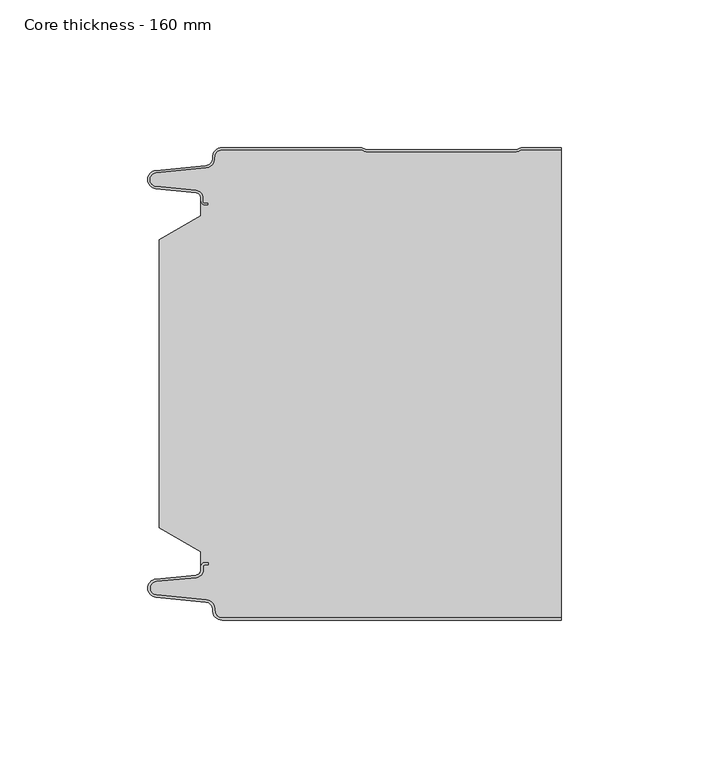
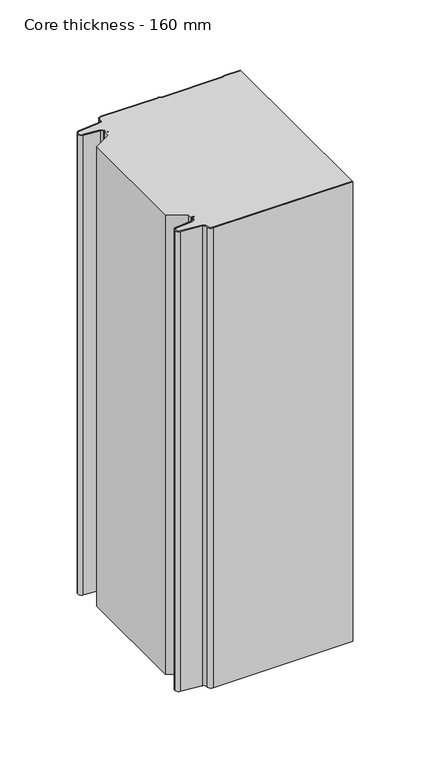
"""IFC4 building model written with IfcOpenShell, lengths in millimetres: plate geometry, Core thickness - 160 mm."""

from ifc_helpers import new_model, si_unit, frame, origin, place, context, project, spatial, polyline, circle_curve, source, transform, mapped, element, save
from ifc_brep_helpers import plane_surface, cylinder_surface, revolved_surface, advanced_brep


def core_thickness_160_mm_bdfdefb4(model_context):
    return source(origin(), model_context, "Body", "AdvancedBrep", [
        advanced_brep(
        [(-44.8000003, -159.9996949, 0.0), (-47.9923632, -156.5787437, 0.0), (-50.2560431, -153.9171154, 0.0), (-67.2115315, -152.2546153, 0.0), (-69.9999998, -149.1776715, 0.0), (-67.2115315, -146.1007278, 0.0), (-53.6195785, -144.7680252, 0.0), (-51.9952277, -142.9766159, 0.0), (-51.9952277, -141.8996949, 0.0), (-50.5952277, -140.4996949, 0.0), (-49.4952277, -140.4996949, 0.0), (-49.4952277, -141.2996949, 0.0), (-50.5952277, -141.2996949, 0.0), (-51.1952277, -141.8996949, 0.0), (-51.1952277, -142.9766159, 0.0), (-53.5415122, -145.5642071, 0.0), (-67.1334652, -146.8969097, 0.0), (-69.1999997, -149.1776715, 0.0), (-67.1334652, -151.4584333, 0.0), (-50.1779767, -153.1209335, 0.0), (-47.2078761, -156.6330399, 0.0), (-44.8000003, -159.1996949, 0.0), (69.9999998, -159.2, 0.0), (69.9999998, -159.9996949, 0.0), (-44.8000003, -159.1996949, 400.0), (-47.1942724, -156.6339815, 400.0), (-50.1779767, -153.1209335, 400.0), (-67.1334652, -151.4584333, 400.0), (-69.1999997, -149.1776715, 400.0), (-67.1334652, -146.8969097, 400.0), (-53.5415122, -145.5642071, 400.0), (-51.1952277, -142.9766159, 400.0), (-51.1952277, -141.8996949, 400.0), (-50.5952277, -141.2996949, 400.0), (-49.4952277, -141.2996949, 400.0), (-49.4952277, -140.4996949, 400.0), (-50.5952277, -140.4996949, 400.0), (-51.9952277, -141.8996949, 400.0), (-51.9952277, -142.9766159, 400.0), (-53.6195785, -144.7680252, 400.0), (-67.2115315, -146.1007278, 400.0), (-69.9999998, -149.1776715, 400.0), (-67.2115315, -152.2546153, 400.0), (-50.2560431, -153.9171154, 400.0), (-48.0059668, -156.5778021, 400.0), (-44.8000003, -159.9996949, 400.0), (69.9999998, -159.9996949, 400.0), (69.9999998, -159.2, 400.0)],
        [
            (0, 1, circle_curve(frame((-44.8000003, -156.7996949, 0.0), z_axis=(0.0, 0.0, -1.0), x_axis=(1.0, 0.0, 0.0)), 3.2)),
            (1, 2, circle_curve(frame((-50.5000003, -156.4051839, 0.0), z_axis=(0.0, 0.0, 1.0), x_axis=(1.0, 0.0, 0.0)), 2.5)),
            (2, 3),
            (3, 4, circle_curve(frame((-66.9100003, -149.1793626, 0.0), z_axis=(0.0, 0.0, -1.0), x_axis=(1.0, 0.0, 0.0)), 3.09)),
            (4, 5, circle_curve(frame((-66.9100003, -149.1759805, 0.0), z_axis=(0.0, 0.0, -1.0), x_axis=(1.0, 0.0, 0.0)), 3.09)),
            (5, 6),
            (6, 7, circle_curve(frame((-53.7952277, -142.9766159, 0.0), z_axis=(0.0, 0.0, 1.0), x_axis=(1.0, 0.0, 0.0)), 1.8)),
            (7, 8),
            (8, 9, circle_curve(frame((-50.5952277, -141.8996949, 0.0), z_axis=(0.0, 0.0, -1.0), x_axis=(1.0, 0.0, 0.0)), 1.4)),
            (9, 10),
            (10, 11),
            (11, 12),
            (12, 13, circle_curve(frame((-50.5952277, -141.8996949, 0.0), z_axis=(0.0, 0.0, 1.0), x_axis=(1.0, 0.0, 0.0)), 0.6)),
            (13, 14),
            (14, 15, circle_curve(frame((-53.7952277, -142.9766159, 0.0), z_axis=(0.0, 0.0, -1.0), x_axis=(1.0, 0.0, 0.0)), 2.6)),
            (15, 16),
            (16, 17, circle_curve(frame((-66.9100003, -149.1759805, 0.0), z_axis=(0.0, 0.0, 1.0), x_axis=(1.0, 0.0, 0.0)), 2.29)),
            (17, 18, circle_curve(frame((-66.9100003, -149.1793626, 0.0), z_axis=(0.0, 0.0, 1.0), x_axis=(1.0, 0.0, 0.0)), 2.29)),
            (18, 19),
            (19, 20, circle_curve(frame((-50.5000003, -156.4051839, 0.0), z_axis=(0.0, 0.0, -1.0), x_axis=(1.0, 0.0, 0.0)), 3.3)),
            (20, 21, circle_curve(frame((-44.8000003, -156.7996949, 0.0), z_axis=(0.0, 0.0, 1.0), x_axis=(1.0, 0.0, 0.0)), 2.4)),
            (21, 22),
            (22, 23),
            (23, 0),
            (24, 25, circle_curve(frame((-44.8000003, -156.7996949, 400.0), z_axis=(0.0, 0.0, -1.0), x_axis=(1.0, 0.0, 0.0)), 2.4)),
            (25, 26, circle_curve(frame((-50.5000003, -156.4051839, 400.0), z_axis=(0.0, 0.0, 1.0), x_axis=(1.0, 0.0, 0.0)), 3.3)),
            (26, 27),
            (27, 28, circle_curve(frame((-66.9100003, -149.1793626, 400.0), z_axis=(0.0, 0.0, -1.0), x_axis=(1.0, 0.0, 0.0)), 2.29)),
            (28, 29, circle_curve(frame((-66.9100003, -149.1759805, 400.0), z_axis=(0.0, 0.0, -1.0), x_axis=(1.0, 0.0, 0.0)), 2.29)),
            (29, 30),
            (30, 31, circle_curve(frame((-53.7952277, -142.9766159, 400.0), z_axis=(0.0, 0.0, 1.0), x_axis=(1.0, 0.0, 0.0)), 2.6)),
            (31, 32),
            (32, 33, circle_curve(frame((-50.5952277, -141.8996949, 400.0), z_axis=(0.0, 0.0, -1.0), x_axis=(1.0, 0.0, 0.0)), 0.6)),
            (33, 34),
            (34, 35),
            (35, 36),
            (36, 37, circle_curve(frame((-50.5952277, -141.8996949, 400.0), z_axis=(0.0, 0.0, 1.0), x_axis=(1.0, 0.0, 0.0)), 1.4)),
            (37, 38),
            (38, 39, circle_curve(frame((-53.7952277, -142.9766159, 400.0), z_axis=(0.0, 0.0, -1.0), x_axis=(1.0, 0.0, 0.0)), 1.8)),
            (39, 40),
            (40, 41, circle_curve(frame((-66.9100003, -149.1759805, 400.0), z_axis=(0.0, 0.0, 1.0), x_axis=(1.0, 0.0, 0.0)), 3.09)),
            (41, 42, circle_curve(frame((-66.9100003, -149.1793626, 400.0), z_axis=(0.0, 0.0, 1.0), x_axis=(1.0, 0.0, 0.0)), 3.09)),
            (42, 43),
            (43, 44, circle_curve(frame((-50.5000003, -156.4051839, 400.0), z_axis=(0.0, 0.0, -1.0), x_axis=(1.0, 0.0, 0.0)), 2.5)),
            (44, 45, circle_curve(frame((-44.8000003, -156.7996949, 400.0), z_axis=(0.0, 0.0, 1.0), x_axis=(1.0, 0.0, 0.0)), 3.2)),
            (45, 46),
            (46, 47),
            (47, 24),
            (21, 24),
            (47, 22),
            (20, 25),
            (19, 26),
            (18, 27),
            (17, 28),
            (16, 29),
            (15, 30),
            (14, 31),
            (13, 32),
            (12, 33),
            (11, 34),
            (10, 35),
            (9, 36),
            (8, 37),
            (7, 38),
            (6, 39),
            (5, 40),
            (4, 41),
            (3, 42),
            (2, 43),
            (1, 44),
            (0, 45),
            (23, 46),
        ],
        [
            plane_surface(frame((-69.9999998, -160.0, 0.0), z_axis=(0.0, 0.0, -1.0), x_axis=(0.0, 1.0, 0.0))),
            plane_surface(frame((-69.9999998, -160.0, 400.0), z_axis=(0.0, 0.0, 1.0), x_axis=(0.0, 1.0, 0.0))),
            plane_surface(frame((-44.8000003, -159.2, 0.0), z_axis=(0.0, 1.0, 0.0), x_axis=(0.0, 0.0, 1.0))),
            revolved_surface(polyline([(-42.4000003, -156.7996949, 400.0), (-42.4000003, -156.7996949, 0.0)]), (-44.8000003, -156.7996949, 0.0), (0.0, 0.0, 1.0)),
            cylinder_surface(frame((-50.5000003, -156.4051839, 0.0), z_axis=(0.0, 0.0, -1.0), x_axis=(1.0, 0.0, 0.0)), 3.3),
            plane_surface(frame((-67.1334652, -151.4584333, 0.0), z_axis=(0.09758289975914758, 0.9952273999818314, 0.0), x_axis=(0.0, 0.0, 1.0))),
            revolved_surface(polyline([(-64.62000029999999, -149.1793626, 400.0), (-64.62000029999999, -149.1793626, 0.0)]), (-66.9100003, -149.1793626, 0.0), (0.0, 0.0, 1.0)),
            revolved_surface(polyline([(-64.62000029999999, -149.1759805, 400.0), (-64.62000029999999, -149.1759805, 0.0)]), (-66.9100003, -149.1759805, 0.0), (0.0, 0.0, 1.0)),
            plane_surface(frame((-53.5415122, -145.5642071, 0.0), z_axis=(0.09758289975914383, -0.9952273999818317, 0.0), x_axis=(0.0, 0.0, 1.0))),
            cylinder_surface(frame((-53.7952277, -142.9766159, 0.0), z_axis=(0.0, 0.0, -1.0), x_axis=(1.0, 0.0, 0.0)), 2.6),
            plane_surface(frame((-51.1952277, -141.8996949, 0.0), z_axis=(1.0, 0.0, 0.0), x_axis=(0.0, 0.0, 1.0))),
            revolved_surface(polyline([(-49.9952277, -141.8996949, 400.0), (-49.9952277, -141.8996949, 0.0)]), (-50.5952277, -141.8996949, 0.0), (0.0, 0.0, 1.0)),
            plane_surface(frame((-49.4952277, -141.2996949, 0.0), z_axis=(0.0, -1.0, 0.0), x_axis=(0.0, 0.0, 1.0))),
            plane_surface(frame((-49.4952277, -140.4996949, 0.0), z_axis=(1.0, 0.0, 0.0), x_axis=(0.0, 0.0, 1.0))),
            plane_surface(frame((-50.5952277, -140.4996949, 0.0), z_axis=(0.0, 1.0, 0.0), x_axis=(0.0, 0.0, 1.0))),
            cylinder_surface(frame((-50.5952277, -141.8996949, 0.0), z_axis=(0.0, 0.0, -1.0), x_axis=(1.0, 0.0, 0.0)), 1.4),
            plane_surface(frame((-51.9952277, -142.9766159, 0.0), z_axis=(-1.0, 0.0, 0.0), x_axis=(0.0, 0.0, 1.0))),
            revolved_surface(polyline([(-51.9952277, -142.9766159, 400.0), (-51.9952277, -142.9766159, 0.0)]), (-53.7952277, -142.9766159, 0.0), (0.0, 0.0, 1.0)),
            plane_surface(frame((-67.2115315, -146.1007278, 0.0), z_axis=(-0.09758289975914387, 0.9952273999818317, 0.0), x_axis=(0.0, 0.0, 1.0))),
            cylinder_surface(frame((-66.9100003, -149.1759805, 0.0), z_axis=(0.0, 0.0, -1.0), x_axis=(1.0, 0.0, 0.0)), 3.09),
            cylinder_surface(frame((-66.9100003, -149.1793626, 0.0), z_axis=(0.0, 0.0, -1.0), x_axis=(1.0, 0.0, 0.0)), 3.09),
            plane_surface(frame((-50.2560431, -153.9171154, 0.0), z_axis=(-0.09758289975914762, -0.9952273999818314, 0.0), x_axis=(0.0, 0.0, 1.0))),
            revolved_surface(polyline([(-48.0000003, -156.4051839, 400.0), (-48.0000003, -156.4051839, 0.0)]), (-50.5000003, -156.4051839, 0.0), (0.0, 0.0, 1.0)),
            cylinder_surface(frame((-44.8000003, -156.7996949, 0.0), z_axis=(0.0, 0.0, -1.0), x_axis=(1.0, 0.0, 0.0)), 3.2),
            plane_surface(frame((1046.009932, -159.9996949, 0.0), z_axis=(0.0, -1.0, 0.0), x_axis=(0.0, 0.0, 1.0))),
            plane_surface(frame((69.9999998, 180.0, 400.0), z_axis=(1.0, 0.0, 0.0), x_axis=(0.0, 0.0, -1.0))),
        ],
        [
            (0, [[1, 2, 3, 4, 5, 6, 7, 8, 9, 10, 11, 12, 13, 14, 15, 16, 17, 18, 19, 20, 21, 22, 23, 24]]),
            (1, [[25, 26, 27, 28, 29, 30, 31, 32, 33, 34, 35, 36, 37, 38, 39, 40, 41, 42, 43, 44, 45, 46, 47, 48]]),
            (2, [[49, -48, 50, -22]]),
            (3, [[-21, 51, -25, -49]]),
            (4, [[-20, 52, -26, -51]]),
            (5, [[-19, 53, -27, -52]]),
            (6, [[-18, 54, -28, -53]]),
            (7, [[-17, 55, -29, -54]]),
            (8, [[-16, 56, -30, -55]]),
            (9, [[-15, 57, -31, -56]]),
            (10, [[-14, 58, -32, -57]]),
            (11, [[-13, 59, -33, -58]]),
            (12, [[-12, 60, -34, -59]]),
            (13, [[-11, 61, -35, -60]]),
            (14, [[-10, 62, -36, -61]]),
            (15, [[-9, 63, -37, -62]]),
            (16, [[-8, 64, -38, -63]]),
            (17, [[-7, 65, -39, -64]]),
            (18, [[-6, 66, -40, -65]]),
            (19, [[-5, 67, -41, -66]]),
            (20, [[-4, 68, -42, -67]]),
            (21, [[-3, 69, -43, -68]]),
            (22, [[-2, 70, -44, -69]]),
            (23, [[-1, 71, -45, -70]]),
            (24, [[-71, -24, 72, -46]]),
            (25, [[-23, -50, -47, -72]]),
        ],
    ),
        advanced_brep(
        [(-51.9952277, -23.1062917, 400.0), (-66.0446509, -31.1628062, 400.0), (-66.0446509, -128.7531937, 400.0), (-51.9952277, -136.8937083, 400.0), (-51.9952277, -140.4996949, 400.0), (-51.9952277, -141.8996949, 400.0), (-50.5952277, -140.4996949, 400.0), (-49.4952277, -140.4996949, 400.0), (-49.4952277, -141.2996949, 400.0), (-50.5952277, -141.2996949, 400.0), (-51.1952277, -141.8996949, 400.0), (-51.1952277, -142.9766159, 400.0), (-53.5415122, -145.5642071, 400.0), (-67.1334652, -146.8969097, 400.0), (-69.1999997, -149.1776715, 400.0), (-67.1334652, -151.4584333, 400.0), (-50.1779767, -153.1209335, 400.0), (-47.2078761, -156.6330399, 400.0), (-44.8000003, -159.1996949, 400.0), (69.9999998, -159.2, 400.0), (69.9999998, -0.8, 400.0), (57.0487965, -0.8, 400.0), (55.9973806, -1.0986697, 400.0), (54.5769997, -1.5003051, 400.0), (4.4172165, -1.5003051, 400.0), (2.9978051, -1.0971009, 400.0), (1.9454197, -0.8, 400.0), (-44.8000003, -0.8, 400.0), (-47.1942724, -3.3660185, 400.0), (-50.1779767, -6.8790665, 400.0), (-67.1334652, -8.5415667, 400.0), (-69.1999997, -10.8223285, 400.0), (-67.1334652, -13.1030903, 400.0), (-53.5415122, -14.4357929, 400.0), (-51.1952277, -17.0233841, 400.0), (-51.1952277, -18.1003051, 400.0), (-50.5952277, -18.7003051, 400.0), (-49.4952277, -18.7003051, 400.0), (-49.4952277, -19.5003051, 400.0), (-50.5952277, -19.5003051, 400.0), (-51.9952277, -18.1003051, 400.0), (-51.9952277, -19.5003051, 400.0), (-51.9952277, -136.8937083, 0.0), (-66.0446509, -128.7531937, 0.0), (-66.0446509, -31.1628062, 0.0), (-51.9952277, -23.1062917, 0.0), (-51.9952277, -19.5003051, 0.0), (-51.9952277, -18.1003051, 0.0), (-50.5952277, -19.5003051, 0.0), (-49.4952277, -19.5003051, 0.0), (-49.4952277, -18.7003051, 0.0), (-50.5952277, -18.7003051, 0.0), (-51.1952277, -18.1003051, 0.0), (-51.1952277, -17.0233841, 0.0), (-53.5415122, -14.4357929, 0.0), (-67.1334652, -13.1030903, 0.0), (-69.1999997, -10.8223285, 0.0), (-67.1334652, -8.5415667, 0.0), (-50.1779767, -6.8790665, 0.0), (-47.2078761, -3.3669601, 0.0), (-44.8000003, -0.8003051, 0.0), (1.9454197, -0.8, 0.0), (2.9968355, -1.0986697, 0.0), (4.4172165, -1.5003051, 0.0), (54.5769997, -1.5003051, 0.0), (55.9964111, -1.0971009, 0.0), (57.0487965, -0.8, 0.0), (69.9999998, -0.8, 0.0), (69.9999998, -159.2, 0.0), (-44.8000003, -159.2, 0.0), (-47.1942724, -156.6339815, 0.0), (-50.1779767, -153.1209335, 0.0), (-67.1334652, -151.4584333, 0.0), (-69.1999997, -149.1776715, 0.0), (-67.1334652, -146.8969097, 0.0), (-53.5415122, -145.5642071, 0.0), (-51.1952277, -142.9766159, 0.0), (-51.1952277, -141.8996949, 0.0), (-50.5952277, -141.2996949, 0.0), (-49.4952277, -141.2996949, 0.0), (-49.4952277, -140.4996949, 0.0), (-50.5952277, -140.4996949, 0.0), (-51.9952277, -141.8996949, 0.0), (-51.9952277, -140.4996949, 0.0)],
        [
            (0, 1),
            (1, 2),
            (2, 3),
            (3, 4),
            (4, 5),
            (5, 6, circle_curve(frame((-50.5952277, -141.8996949, 400.0), z_axis=(0.0, 0.0, -1.0), x_axis=(1.0, 0.0, 0.0)), 1.4)),
            (6, 7),
            (7, 8),
            (8, 9),
            (9, 10, circle_curve(frame((-50.5952277, -141.8996949, 400.0), z_axis=(0.0, 0.0, 1.0), x_axis=(1.0, 0.0, 0.0)), 0.6)),
            (10, 11),
            (11, 12, circle_curve(frame((-53.7952277, -142.9766159, 400.0), z_axis=(0.0, 0.0, -1.0), x_axis=(1.0, 0.0, 0.0)), 2.6)),
            (12, 13),
            (13, 14, circle_curve(frame((-66.9100003, -149.1759805, 400.0), z_axis=(0.0, 0.0, 1.0), x_axis=(1.0, 0.0, 0.0)), 2.29)),
            (14, 15, circle_curve(frame((-66.9100003, -149.1793626, 400.0), z_axis=(0.0, 0.0, 1.0), x_axis=(1.0, 0.0, 0.0)), 2.29)),
            (15, 16),
            (16, 17, circle_curve(frame((-50.5000003, -156.4051839, 400.0), z_axis=(0.0, 0.0, -1.0), x_axis=(1.0, 0.0, 0.0)), 3.3)),
            (17, 18, circle_curve(frame((-44.8000003, -156.7996949, 400.0), z_axis=(0.0, 0.0, 1.0), x_axis=(1.0, 0.0, 0.0)), 2.4)),
            (18, 19),
            (19, 20),
            (20, 21),
            (21, 22, circle_curve(frame((57.0487965, -2.8, 400.0), z_axis=(0.0, 0.0, 1.0), x_axis=(1.0, 0.0, 0.0)), 2.0)),
            (22, 23, circle_curve(frame((54.5769997, 1.1996949, 400.0), z_axis=(0.0, 0.0, -1.0), x_axis=(1.0, 0.0, 0.0)), 2.7)),
            (23, 24),
            (24, 25, circle_curve(frame((4.4172165, 1.1996949, 400.0), z_axis=(0.0, 0.0, -1.0), x_axis=(1.0, 0.0, 0.0)), 2.7)),
            (25, 26, circle_curve(frame((1.9454197, -2.8, 400.0), z_axis=(0.0, 0.0, 1.0), x_axis=(1.0, 0.0, 0.0)), 2.0)),
            (26, 27),
            (27, 28, circle_curve(frame((-44.8000003, -3.2003051, 400.0), z_axis=(0.0, 0.0, 1.0), x_axis=(1.0, 0.0, 0.0)), 2.4)),
            (28, 29, circle_curve(frame((-50.5000003, -3.5948161, 400.0), z_axis=(0.0, 0.0, -1.0), x_axis=(1.0, 0.0, 0.0)), 3.3)),
            (29, 30),
            (30, 31, circle_curve(frame((-66.9100003, -10.8206374, 400.0), z_axis=(0.0, 0.0, 1.0), x_axis=(1.0, 0.0, 0.0)), 2.29)),
            (31, 32, circle_curve(frame((-66.9100003, -10.8240195, 400.0), z_axis=(0.0, 0.0, 1.0), x_axis=(1.0, 0.0, 0.0)), 2.29)),
            (32, 33),
            (33, 34, circle_curve(frame((-53.7952277, -17.0233841, 400.0), z_axis=(0.0, 0.0, -1.0), x_axis=(1.0, 0.0, 0.0)), 2.6)),
            (34, 35),
            (35, 36, circle_curve(frame((-50.5952277, -18.1003051, 400.0), z_axis=(0.0, 0.0, 1.0), x_axis=(1.0, 0.0, 0.0)), 0.6)),
            (36, 37),
            (37, 38),
            (38, 39),
            (39, 40, circle_curve(frame((-50.5952277, -18.1003051, 400.0), z_axis=(0.0, 0.0, -1.0), x_axis=(1.0, 0.0, 0.0)), 1.4)),
            (40, 41),
            (41, 0),
            (42, 43),
            (43, 44),
            (44, 45),
            (45, 46),
            (46, 47),
            (47, 48, circle_curve(frame((-50.5952277, -18.1003051, 0.0), z_axis=(0.0, 0.0, 1.0), x_axis=(1.0, 0.0, 0.0)), 1.4)),
            (48, 49),
            (49, 50),
            (50, 51),
            (51, 52, circle_curve(frame((-50.5952277, -18.1003051, 0.0), z_axis=(0.0, 0.0, -1.0), x_axis=(1.0, 0.0, 0.0)), 0.6)),
            (52, 53),
            (53, 54, circle_curve(frame((-53.7952277, -17.0233841, 0.0), z_axis=(0.0, 0.0, 1.0), x_axis=(1.0, 0.0, 0.0)), 2.6)),
            (54, 55),
            (55, 56, circle_curve(frame((-66.9100003, -10.8240195, 0.0), z_axis=(0.0, 0.0, -1.0), x_axis=(1.0, 0.0, 0.0)), 2.29)),
            (56, 57, circle_curve(frame((-66.9100003, -10.8206374, 0.0), z_axis=(0.0, 0.0, -1.0), x_axis=(1.0, 0.0, 0.0)), 2.29)),
            (57, 58),
            (58, 59, circle_curve(frame((-50.5000003, -3.5948161, 0.0), z_axis=(0.0, 0.0, 1.0), x_axis=(1.0, 0.0, 0.0)), 3.3)),
            (59, 60, circle_curve(frame((-44.8000003, -3.2003051, 0.0), z_axis=(0.0, 0.0, -1.0), x_axis=(1.0, 0.0, 0.0)), 2.4)),
            (60, 61),
            (61, 62, circle_curve(frame((1.9454197, -2.8, 0.0), z_axis=(0.0, 0.0, -1.0), x_axis=(1.0, 0.0, 0.0)), 2.0)),
            (62, 63, circle_curve(frame((4.4172165, 1.1996949, 0.0), z_axis=(0.0, 0.0, 1.0), x_axis=(1.0, 0.0, 0.0)), 2.7)),
            (63, 64),
            (64, 65, circle_curve(frame((54.5769997, 1.1996949, 0.0), z_axis=(0.0, 0.0, 1.0), x_axis=(1.0, 0.0, 0.0)), 2.7)),
            (65, 66, circle_curve(frame((57.0487965, -2.8, 0.0), z_axis=(0.0, 0.0, -1.0), x_axis=(1.0, 0.0, 0.0)), 2.0)),
            (66, 67),
            (67, 68),
            (68, 69),
            (69, 70, circle_curve(frame((-44.8000003, -156.7996949, 0.0), z_axis=(0.0, 0.0, -1.0), x_axis=(1.0, 0.0, 0.0)), 2.4)),
            (70, 71, circle_curve(frame((-50.5000003, -156.4051839, 0.0), z_axis=(0.0, 0.0, 1.0), x_axis=(1.0, 0.0, 0.0)), 3.3)),
            (71, 72),
            (72, 73, circle_curve(frame((-66.9100003, -149.1793626, 0.0), z_axis=(0.0, 0.0, -1.0), x_axis=(1.0, 0.0, 0.0)), 2.29)),
            (73, 74, circle_curve(frame((-66.9100003, -149.1759805, 0.0), z_axis=(0.0, 0.0, -1.0), x_axis=(1.0, 0.0, 0.0)), 2.29)),
            (74, 75),
            (75, 76, circle_curve(frame((-53.7952277, -142.9766159, 0.0), z_axis=(0.0, 0.0, 1.0), x_axis=(1.0, 0.0, 0.0)), 2.6)),
            (76, 77),
            (77, 78, circle_curve(frame((-50.5952277, -141.8996949, 0.0), z_axis=(0.0, 0.0, -1.0), x_axis=(1.0, 0.0, 0.0)), 0.6)),
            (78, 79),
            (79, 80),
            (80, 81),
            (81, 82, circle_curve(frame((-50.5952277, -141.8996949, 0.0), z_axis=(0.0, 0.0, 1.0), x_axis=(1.0, 0.0, 0.0)), 1.4)),
            (82, 83),
            (83, 42),
            (45, 0),
            (40, 47),
            (1, 44),
            (43, 2),
            (42, 3),
            (82, 5),
            (18, 69),
            (68, 19),
            (17, 70),
            (16, 71),
            (15, 72),
            (14, 73),
            (13, 74),
            (12, 75),
            (11, 76),
            (10, 77),
            (9, 78),
            (8, 79),
            (7, 80),
            (6, 81),
            (60, 27),
            (26, 61),
            (25, 62),
            (24, 63),
            (23, 64),
            (22, 65),
            (21, 66),
            (20, 67),
            (39, 48),
            (38, 49),
            (37, 50),
            (36, 51),
            (35, 52),
            (34, 53),
            (33, 54),
            (32, 55),
            (31, 56),
            (30, 57),
            (29, 58),
            (28, 59),
        ],
        [
            plane_surface(frame((-69.9999998, 0.0, 400.0), z_axis=(0.0, 0.0, 1.0), x_axis=(0.0, -1.0, 0.0))),
            plane_surface(frame((-69.9999998, 0.0, 0.0), z_axis=(0.0, 0.0, -1.0), x_axis=(0.0, -1.0, 0.0))),
            plane_surface(frame((-51.9952277, -17.0229218, 400.0), z_axis=(-1.0, 0.0, 0.0), x_axis=(0.0, 0.0, -1.0))),
            plane_surface(frame((-66.0446509, -31.1628062, 400.0), z_axis=(-1.0, 0.0, 0.0), x_axis=(0.0, 0.0, -1.0))),
            plane_surface(frame((-51.9952277, -23.1062917, 400.0), z_axis=(-0.4974543664933155, 0.8674901459133322, 0.0), x_axis=(0.0, 0.0, -1.0))),
            plane_surface(frame((-66.0446509, -128.7531937, 400.0), z_axis=(-0.5013424225369607, -0.8652489672717164, 0.0), x_axis=(0.0, 0.0, -1.0))),
            plane_surface(frame((-51.9952277, -136.8937083, 400.0), z_axis=(-1.0, 0.0, 0.0), x_axis=(0.0, 0.0, -1.0))),
            plane_surface(frame((1046.009932, -159.2, 530.0), z_axis=(0.0, -1.0, 0.0), x_axis=(0.0, 0.0, -1.0))),
            cylinder_surface(frame((-44.8000003, -156.7996949, 530.0), z_axis=(0.0, 0.0, -1.0), x_axis=(1.0, 0.0, 0.0)), 2.4),
            revolved_surface(polyline([(-47.200000300000006, -156.4051839, 400.0), (-47.200000300000006, -156.4051839, 0.0)]), (-50.5000003, -156.4051839, 530.0), (0.0, 0.0, 1.0)),
            plane_surface(frame((-50.1779767, -153.1209335, 530.0), z_axis=(-0.09758289975914758, -0.9952273999818314, 0.0), x_axis=(0.0, 0.0, -1.0))),
            cylinder_surface(frame((-66.9100003, -149.1793626, 530.0), z_axis=(0.0, 0.0, -1.0), x_axis=(1.0, 0.0, 0.0)), 2.29),
            cylinder_surface(frame((-66.9100003, -149.1759805, 530.0), z_axis=(0.0, 0.0, -1.0), x_axis=(1.0, 0.0, 0.0)), 2.29),
            plane_surface(frame((-67.1334652, -146.8969097, 530.0), z_axis=(-0.09758289975914383, 0.9952273999818317, 0.0), x_axis=(0.0, 0.0, -1.0))),
            revolved_surface(polyline([(-51.1952277, -142.9766159, 400.0), (-51.1952277, -142.9766159, 0.0)]), (-53.7952277, -142.9766159, 530.0), (0.0, 0.0, 1.0)),
            plane_surface(frame((-51.1952277, -142.9766159, 530.0), z_axis=(-1.0, 0.0, 0.0), x_axis=(0.0, 0.0, -1.0))),
            cylinder_surface(frame((-50.5952277, -141.8996949, 530.0), z_axis=(0.0, 0.0, -1.0), x_axis=(1.0, 0.0, 0.0)), 0.6),
            plane_surface(frame((-50.5952277, -141.2996949, 530.0), z_axis=(0.0, 1.0, 0.0), x_axis=(0.0, 0.0, -1.0))),
            plane_surface(frame((-49.4952277, -141.2996949, 530.0), z_axis=(-1.0, 0.0, 0.0), x_axis=(0.0, 0.0, -1.0))),
            plane_surface(frame((-49.4952277, -140.4996949, 530.0), z_axis=(0.0, -1.0, 0.0), x_axis=(0.0, 0.0, -1.0))),
            revolved_surface(polyline([(-49.195227700000004, -141.8996949, 400.0), (-49.195227700000004, -141.8996949, 0.0)]), (-50.5952277, -141.8996949, 530.0), (0.0, 0.0, 1.0)),
            plane_surface(frame((-44.8000003, -0.8, 530.0), z_axis=(0.0, 1.0, 0.0), x_axis=(0.0, 0.0, -1.0))),
            cylinder_surface(frame((1.9454197, -2.8, 530.0), z_axis=(0.0, 0.0, -1.0), x_axis=(1.0, 0.0, 0.0)), 2.0),
            revolved_surface(polyline([(7.1172165000000005, 1.1996949, 400.0), (7.1172165000000005, 1.1996949, 0.0)]), (4.4172165, 1.1996949, 530.0), (0.0, 0.0, 1.0)),
            plane_surface(frame((4.4172165, -1.5003051, 530.0), z_axis=(0.0, 1.0, 0.0), x_axis=(0.0, 0.0, -1.0))),
            revolved_surface(polyline([(57.276999700000005, 1.1996949, 400.0), (57.276999700000005, 1.1996949, 0.0)]), (54.5769997, 1.1996949, 530.0), (0.0, 0.0, 1.0)),
            cylinder_surface(frame((57.0487965, -2.8, 530.0), z_axis=(0.0, 0.0, -1.0), x_axis=(1.0, 0.0, 0.0)), 2.0),
            plane_surface(frame((57.0487965, -0.8, 530.0), z_axis=(0.0, 1.0, 0.0), x_axis=(0.0, 0.0, -1.0))),
            revolved_surface(polyline([(-49.195227700000004, -18.1003051, 400.0), (-49.195227700000004, -18.1003051, 0.0)]), (-50.5952277, -18.1003051, 530.0), (0.0, 0.0, 1.0)),
            plane_surface(frame((-50.5952277, -19.5003051, 530.0), z_axis=(0.0, 1.0, 0.0), x_axis=(0.0, 0.0, -1.0))),
            plane_surface(frame((-49.4952277, -19.5003051, 530.0), z_axis=(-1.0, 0.0, 0.0), x_axis=(0.0, 0.0, -1.0))),
            plane_surface(frame((-49.4952277, -18.7003051, 530.0), z_axis=(0.0, -1.0, 0.0), x_axis=(0.0, 0.0, -1.0))),
            cylinder_surface(frame((-50.5952277, -18.1003051, 530.0), z_axis=(0.0, 0.0, -1.0), x_axis=(1.0, 0.0, 0.0)), 0.6),
            plane_surface(frame((-51.1952277, -18.1003051, 530.0), z_axis=(-1.0, 0.0, 0.0), x_axis=(0.0, 0.0, -1.0))),
            revolved_surface(polyline([(-51.1952277, -17.0233841, 400.0), (-51.1952277, -17.0233841, 0.0)]), (-53.7952277, -17.0233841, 530.0), (0.0, 0.0, 1.0)),
            plane_surface(frame((-53.5415122, -14.4357929, 530.0), z_axis=(-0.09758289975914705, -0.9952273999818314, 0.0), x_axis=(0.0, 0.0, -1.0))),
            cylinder_surface(frame((-66.9100003, -10.8240195, 530.0), z_axis=(0.0, 0.0, -1.0), x_axis=(1.0, 0.0, 0.0)), 2.29),
            cylinder_surface(frame((-66.9100003, -10.8206374, 530.0), z_axis=(0.0, 0.0, -1.0), x_axis=(1.0, 0.0, 0.0)), 2.29),
            plane_surface(frame((-67.1334652, -8.5415667, 530.0), z_axis=(-0.09758289975914436, 0.9952273999818317, 0.0), x_axis=(0.0, 0.0, -1.0))),
            revolved_surface(polyline([(-47.200000300000006, -3.5948161, 400.0), (-47.200000300000006, -3.5948161, 0.0)]), (-50.5000003, -3.5948161, 530.0), (0.0, 0.0, 1.0)),
            cylinder_surface(frame((-44.8000003, -3.2003051, 530.0), z_axis=(0.0, 0.0, -1.0), x_axis=(1.0, 0.0, 0.0)), 2.4),
            plane_surface(frame((69.9999998, 180.0, 400.0), z_axis=(1.0, 0.0, 0.0), x_axis=(0.0, 0.0, -1.0))),
        ],
        [
            (0, [[1, 2, 3, 4, 5, 6, 7, 8, 9, 10, 11, 12, 13, 14, 15, 16, 17, 18, 19, 20, 21, 22, 23, 24, 25, 26, 27, 28, 29, 30, 31, 32, 33, 34, 35, 36, 37, 38, 39, 40, 41, 42]]),
            (1, [[43, 44, 45, 46, 47, 48, 49, 50, 51, 52, 53, 54, 55, 56, 57, 58, 59, 60, 61, 62, 63, 64, 65, 66, 67, 68, 69, 70, 71, 72, 73, 74, 75, 76, 77, 78, 79, 80, 81, 82, 83, 84]]),
            (2, [[85, -42, -41, 86, -47, -46]]),
            (3, [[-2, 87, -44, 88]]),
            (4, [[-1, -85, -45, -87]]),
            (5, [[-3, -88, -43, 89]]),
            (6, [[-89, -84, -83, 90, -5, -4]]),
            (7, [[91, -69, 92, -19]]),
            (8, [[-91, -18, 93, -70]]),
            (9, [[-93, -17, 94, -71]]),
            (10, [[-94, -16, 95, -72]]),
            (11, [[-95, -15, 96, -73]]),
            (12, [[-96, -14, 97, -74]]),
            (13, [[-97, -13, 98, -75]]),
            (14, [[-98, -12, 99, -76]]),
            (15, [[-99, -11, 100, -77]]),
            (16, [[-100, -10, 101, -78]]),
            (17, [[-101, -9, 102, -79]]),
            (18, [[-102, -8, 103, -80]]),
            (19, [[-103, -7, 104, -81]]),
            (20, [[-104, -6, -90, -82]]),
            (21, [[105, -27, 106, -61]]),
            (22, [[-106, -26, 107, -62]]),
            (23, [[-107, -25, 108, -63]]),
            (24, [[-108, -24, 109, -64]]),
            (25, [[-109, -23, 110, -65]]),
            (26, [[-110, -22, 111, -66]]),
            (27, [[-111, -21, 112, -67]]),
            (28, [[113, -48, -86, -40]]),
            (29, [[-113, -39, 114, -49]]),
            (30, [[-114, -38, 115, -50]]),
            (31, [[-115, -37, 116, -51]]),
            (32, [[-116, -36, 117, -52]]),
            (33, [[-117, -35, 118, -53]]),
            (34, [[-118, -34, 119, -54]]),
            (35, [[-119, -33, 120, -55]]),
            (36, [[-120, -32, 121, -56]]),
            (37, [[-121, -31, 122, -57]]),
            (38, [[-122, -30, 123, -58]]),
            (39, [[-123, -29, 124, -59]]),
            (40, [[-105, -60, -124, -28]]),
            (41, [[-92, -68, -112, -20]]),
        ],
    ),
        advanced_brep(
        [(2.9968355, -1.0986697, 0.0), (1.9454197, -0.8, 0.0), (-44.8000003, -0.8, 0.0), (-47.1942724, -3.3660185, 0.0), (-50.1779767, -6.8790665, 0.0), (-67.1334652, -8.5415667, 0.0), (-69.1999997, -10.8223285, 0.0), (-67.1334652, -13.1030903, 0.0), (-53.5415122, -14.4357929, 0.0), (-51.1952277, -17.0233841, 0.0), (-51.1952277, -18.1003051, 0.0), (-50.5952277, -18.7003051, 0.0), (-49.4952277, -18.7003051, 0.0), (-49.4952277, -19.5003051, 0.0), (-50.5952277, -19.5003051, 0.0), (-51.9952277, -18.1003051, 0.0), (-51.9952277, -17.0233841, 0.0), (-53.6195785, -15.2319748, 0.0), (-67.2115315, -13.8992722, 0.0), (-69.9999998, -10.8223285, 0.0), (-67.2115315, -7.7453847, 0.0), (-50.2560431, -6.0828846, 0.0), (-48.0059668, -3.4221979, 0.0), (-44.8000003, -0.0003051, 0.0), (1.9454197, -0.0003051, 0.0), (3.3647528, -0.4034608, 0.0), (4.4172165, -0.7003051, 0.0), (54.5769997, -0.7003051, 0.0), (55.6283575, -0.4016712, 0.0), (57.0487965, -0.0003051, 0.0), (69.9999998, -0.0003051, 0.0), (69.9999998, -0.8, 0.0), (57.0487965, -0.8, 0.0), (55.9973806, -1.0986697, 0.0), (54.5769997, -1.5003051, 0.0), (4.4172165, -1.5003051, 0.0), (2.9978051, -1.0971009, 400.0), (4.4172165, -1.5003051, 400.0), (54.5769997, -1.5003051, 400.0), (55.9964111, -1.0971009, 400.0), (57.0487965, -0.8, 400.0), (69.9999998, -0.8, 400.0), (69.9999998, -0.0003051, 400.0), (57.0487965, -0.0003051, 400.0), (55.6294634, -0.4034608, 400.0), (54.5769997, -0.7003051, 400.0), (4.4172165, -0.7003051, 400.0), (3.3658586, -0.4016712, 400.0), (1.9454197, -0.0003051, 400.0), (-44.8000003, -0.0003051, 400.0), (-47.9923632, -3.4212563, 400.0), (-50.2560431, -6.0828846, 400.0), (-67.2115315, -7.7453847, 400.0), (-69.9999998, -10.8223285, 400.0), (-67.2115315, -13.8992722, 400.0), (-53.6195785, -15.2319748, 400.0), (-51.9952277, -17.0233841, 400.0), (-51.9952277, -18.1003051, 400.0), (-50.5952277, -19.5003051, 400.0), (-49.4952277, -19.5003051, 400.0), (-49.4952277, -18.7003051, 400.0), (-50.5952277, -18.7003051, 400.0), (-51.1952277, -18.1003051, 400.0), (-51.1952277, -17.0233841, 400.0), (-53.5415122, -14.4357929, 400.0), (-67.1334652, -13.1030903, 400.0), (-69.1999997, -10.8223285, 400.0), (-67.1334652, -8.5415667, 400.0), (-50.1779767, -6.8790665, 400.0), (-47.2078761, -3.3669601, 400.0), (-44.8000003, -0.8003051, 400.0), (1.9454197, -0.8, 400.0)],
        [
            (0, 1, circle_curve(frame((1.9454197, -2.8, 0.0), z_axis=(0.0, 0.0, 1.0), x_axis=(1.0, 0.0, 0.0)), 2.0)),
            (1, 2),
            (2, 3, circle_curve(frame((-44.8000003, -3.2003051, 0.0), z_axis=(0.0, 0.0, 1.0), x_axis=(1.0, 0.0, 0.0)), 2.4)),
            (3, 4, circle_curve(frame((-50.5000003, -3.5948161, 0.0), z_axis=(0.0, 0.0, -1.0), x_axis=(1.0, 0.0, 0.0)), 3.3)),
            (4, 5),
            (5, 6, circle_curve(frame((-66.9100003, -10.8206374, 0.0), z_axis=(0.0, 0.0, 1.0), x_axis=(1.0, 0.0, 0.0)), 2.29)),
            (6, 7, circle_curve(frame((-66.9100003, -10.8240195, 0.0), z_axis=(0.0, 0.0, 1.0), x_axis=(1.0, 0.0, 0.0)), 2.29)),
            (7, 8),
            (8, 9, circle_curve(frame((-53.7952277, -17.0233841, 0.0), z_axis=(0.0, 0.0, -1.0), x_axis=(1.0, 0.0, 0.0)), 2.6)),
            (9, 10),
            (10, 11, circle_curve(frame((-50.5952277, -18.1003051, 0.0), z_axis=(0.0, 0.0, 1.0), x_axis=(1.0, 0.0, 0.0)), 0.6)),
            (11, 12),
            (12, 13),
            (13, 14),
            (14, 15, circle_curve(frame((-50.5952277, -18.1003051, 0.0), z_axis=(0.0, 0.0, -1.0), x_axis=(1.0, 0.0, 0.0)), 1.4)),
            (15, 16),
            (16, 17, circle_curve(frame((-53.7952277, -17.0233841, 0.0), z_axis=(0.0, 0.0, 1.0), x_axis=(1.0, 0.0, 0.0)), 1.8)),
            (17, 18),
            (18, 19, circle_curve(frame((-66.9100003, -10.8240195, 0.0), z_axis=(0.0, 0.0, -1.0), x_axis=(1.0, 0.0, 0.0)), 3.09)),
            (19, 20, circle_curve(frame((-66.9100003, -10.8206374, 0.0), z_axis=(0.0, 0.0, -1.0), x_axis=(1.0, 0.0, 0.0)), 3.09)),
            (20, 21),
            (21, 22, circle_curve(frame((-50.5000003, -3.5948161, 0.0), z_axis=(0.0, 0.0, 1.0), x_axis=(1.0, 0.0, 0.0)), 2.5)),
            (22, 23, circle_curve(frame((-44.8000003, -3.2003051, 0.0), z_axis=(0.0, 0.0, -1.0), x_axis=(1.0, 0.0, 0.0)), 3.2)),
            (23, 24),
            (24, 25, circle_curve(frame((1.9454197, -2.7003051, 0.0), z_axis=(0.0, 0.0, -1.0), x_axis=(1.0, 0.0, 0.0)), 2.7)),
            (25, 26, circle_curve(frame((4.4172165, 1.2996949, 0.0), z_axis=(0.0, 0.0, 1.0), x_axis=(1.0, 0.0, 0.0)), 2.0)),
            (26, 27),
            (27, 28, circle_curve(frame((54.5769997, 1.2996949, 0.0), z_axis=(0.0, 0.0, 1.0), x_axis=(1.0, 0.0, 0.0)), 2.0)),
            (28, 29, circle_curve(frame((57.0487965, -2.7003051, 0.0), z_axis=(0.0, 0.0, -1.0), x_axis=(1.0, 0.0, 0.0)), 2.7)),
            (29, 30),
            (30, 31),
            (31, 32),
            (32, 33, circle_curve(frame((57.0487965, -2.8, 0.0), z_axis=(0.0, 0.0, 1.0), x_axis=(1.0, 0.0, 0.0)), 2.0)),
            (33, 34, circle_curve(frame((54.5769997, 1.1996949, 0.0), z_axis=(0.0, 0.0, -1.0), x_axis=(1.0, 0.0, 0.0)), 2.7)),
            (34, 35),
            (35, 0, circle_curve(frame((4.4172165, 1.1996949, 0.0), z_axis=(0.0, 0.0, -1.0), x_axis=(1.0, 0.0, 0.0)), 2.7)),
            (36, 37, circle_curve(frame((4.4172165, 1.1996949, 400.0), z_axis=(0.0, 0.0, 1.0), x_axis=(1.0, 0.0, 0.0)), 2.7)),
            (37, 38),
            (38, 39, circle_curve(frame((54.5769997, 1.1996949, 400.0), z_axis=(0.0, 0.0, 1.0), x_axis=(1.0, 0.0, 0.0)), 2.7)),
            (39, 40, circle_curve(frame((57.0487965, -2.8, 400.0), z_axis=(0.0, 0.0, -1.0), x_axis=(1.0, 0.0, 0.0)), 2.0)),
            (40, 41),
            (41, 42),
            (42, 43),
            (43, 44, circle_curve(frame((57.0487965, -2.7003051, 400.0), z_axis=(0.0, 0.0, 1.0), x_axis=(1.0, 0.0, 0.0)), 2.7)),
            (44, 45, circle_curve(frame((54.5769997, 1.2996949, 400.0), z_axis=(0.0, 0.0, -1.0), x_axis=(1.0, 0.0, 0.0)), 2.0)),
            (45, 46),
            (46, 47, circle_curve(frame((4.4172165, 1.2996949, 400.0), z_axis=(0.0, 0.0, -1.0), x_axis=(1.0, 0.0, 0.0)), 2.0)),
            (47, 48, circle_curve(frame((1.9454197, -2.7003051, 400.0), z_axis=(0.0, 0.0, 1.0), x_axis=(1.0, 0.0, 0.0)), 2.7)),
            (48, 49),
            (49, 50, circle_curve(frame((-44.8000003, -3.2003051, 400.0), z_axis=(0.0, 0.0, 1.0), x_axis=(1.0, 0.0, 0.0)), 3.2)),
            (50, 51, circle_curve(frame((-50.5000003, -3.5948161, 400.0), z_axis=(0.0, 0.0, -1.0), x_axis=(1.0, 0.0, 0.0)), 2.5)),
            (51, 52),
            (52, 53, circle_curve(frame((-66.9100003, -10.8206374, 400.0), z_axis=(0.0, 0.0, 1.0), x_axis=(1.0, 0.0, 0.0)), 3.09)),
            (53, 54, circle_curve(frame((-66.9100003, -10.8240195, 400.0), z_axis=(0.0, 0.0, 1.0), x_axis=(1.0, 0.0, 0.0)), 3.09)),
            (54, 55),
            (55, 56, circle_curve(frame((-53.7952277, -17.0233841, 400.0), z_axis=(0.0, 0.0, -1.0), x_axis=(1.0, 0.0, 0.0)), 1.8)),
            (56, 57),
            (57, 58, circle_curve(frame((-50.5952277, -18.1003051, 400.0), z_axis=(0.0, 0.0, 1.0), x_axis=(1.0, 0.0, 0.0)), 1.4)),
            (58, 59),
            (59, 60),
            (60, 61),
            (61, 62, circle_curve(frame((-50.5952277, -18.1003051, 400.0), z_axis=(0.0, 0.0, -1.0), x_axis=(1.0, 0.0, 0.0)), 0.6)),
            (62, 63),
            (63, 64, circle_curve(frame((-53.7952277, -17.0233841, 400.0), z_axis=(0.0, 0.0, 1.0), x_axis=(1.0, 0.0, 0.0)), 2.6)),
            (64, 65),
            (65, 66, circle_curve(frame((-66.9100003, -10.8240195, 400.0), z_axis=(0.0, 0.0, -1.0), x_axis=(1.0, 0.0, 0.0)), 2.29)),
            (66, 67, circle_curve(frame((-66.9100003, -10.8206374, 400.0), z_axis=(0.0, 0.0, -1.0), x_axis=(1.0, 0.0, 0.0)), 2.29)),
            (67, 68),
            (68, 69, circle_curve(frame((-50.5000003, -3.5948161, 400.0), z_axis=(0.0, 0.0, 1.0), x_axis=(1.0, 0.0, 0.0)), 3.3)),
            (69, 70, circle_curve(frame((-44.8000003, -3.2003051, 400.0), z_axis=(0.0, 0.0, -1.0), x_axis=(1.0, 0.0, 0.0)), 2.4)),
            (70, 71),
            (71, 36, circle_curve(frame((1.9454197, -2.8, 400.0), z_axis=(0.0, 0.0, -1.0), x_axis=(1.0, 0.0, 0.0)), 2.0)),
            (0, 36),
            (71, 1),
            (70, 2),
            (69, 3),
            (68, 4),
            (67, 5),
            (66, 6),
            (65, 7),
            (64, 8),
            (63, 9),
            (62, 10),
            (61, 11),
            (60, 12),
            (59, 13),
            (58, 14),
            (57, 15),
            (56, 16),
            (55, 17),
            (54, 18),
            (53, 19),
            (52, 20),
            (51, 21),
            (50, 22),
            (49, 23),
            (48, 24),
            (47, 25),
            (46, 26),
            (45, 27),
            (44, 28),
            (43, 29),
            (42, 30),
            (40, 32),
            (31, 41),
            (39, 33),
            (38, 34),
            (37, 35),
        ],
        [
            plane_surface(frame((-69.9999998, 0.0, 0.0), z_axis=(0.0, 0.0, -1.0), x_axis=(0.0, -1.0, 0.0))),
            plane_surface(frame((-69.9999998, 0.0, 400.0), z_axis=(0.0, 0.0, 1.0), x_axis=(0.0, -1.0, 0.0))),
            revolved_surface(polyline([(3.9454197, -2.8, 400.0), (3.9454197, -2.8, 0.0)]), (1.9454197, -2.8, 0.0), (0.0, 0.0, 1.0)),
            plane_surface(frame((1.9454197, -0.8, 0.0), z_axis=(0.0, -1.0, 0.0), x_axis=(0.0, 0.0, 1.0))),
            revolved_surface(polyline([(-42.4000003, -3.2003051, 400.0), (-42.4000003, -3.2003051, 0.0)]), (-44.8000003, -3.2003051, 0.0), (0.0, 0.0, 1.0)),
            cylinder_surface(frame((-50.5000003, -3.5948161, 0.0), z_axis=(0.0, 0.0, -1.0), x_axis=(1.0, 0.0, 0.0)), 3.3),
            plane_surface(frame((-50.1779767, -6.8790665, 0.0), z_axis=(0.09758289975914113, -0.9952273999818321, 0.0), x_axis=(0.0, 0.0, 1.0))),
            revolved_surface(polyline([(-64.62000029999999, -10.8206374, 400.0), (-64.62000029999999, -10.8206374, 0.0)]), (-66.9100003, -10.8206374, 0.0), (0.0, 0.0, 1.0)),
            revolved_surface(polyline([(-64.62000029999999, -10.8240195, 400.0), (-64.62000029999999, -10.8240195, 0.0)]), (-66.9100003, -10.8240195, 0.0), (0.0, 0.0, 1.0)),
            plane_surface(frame((-67.1334652, -13.1030903, 0.0), z_axis=(0.0975828997591503, 0.9952273999818312, 0.0), x_axis=(0.0, 0.0, 1.0))),
            cylinder_surface(frame((-53.7952277, -17.0233841, 0.0), z_axis=(0.0, 0.0, -1.0), x_axis=(1.0, 0.0, 0.0)), 2.6),
            plane_surface(frame((-51.1952277, -17.0233841, 0.0), z_axis=(1.0, 0.0, 0.0), x_axis=(0.0, 0.0, 1.0))),
            revolved_surface(polyline([(-49.9952277, -18.1003051, 400.0), (-49.9952277, -18.1003051, 0.0)]), (-50.5952277, -18.1003051, 0.0), (0.0, 0.0, 1.0)),
            plane_surface(frame((-50.5952277, -18.7003051, 0.0), z_axis=(0.0, 1.0, 0.0), x_axis=(0.0, 0.0, 1.0))),
            plane_surface(frame((-49.4952277, -18.7003051, 0.0), z_axis=(1.0, 0.0, 0.0), x_axis=(0.0, 0.0, 1.0))),
            plane_surface(frame((-49.4952277, -19.5003051, 0.0), z_axis=(0.0, -1.0, 0.0), x_axis=(0.0, 0.0, 1.0))),
            cylinder_surface(frame((-50.5952277, -18.1003051, 0.0), z_axis=(0.0, 0.0, -1.0), x_axis=(1.0, 0.0, 0.0)), 1.4),
            plane_surface(frame((-51.9952277, -18.1003051, 0.0), z_axis=(-1.0, 0.0, 0.0), x_axis=(0.0, 0.0, 1.0))),
            revolved_surface(polyline([(-51.9952277, -17.0233841, 400.0), (-51.9952277, -17.0233841, 0.0)]), (-53.7952277, -17.0233841, 0.0), (0.0, 0.0, 1.0)),
            plane_surface(frame((-53.6195785, -15.2319748, 0.0), z_axis=(-0.09758289975915034, -0.9952273999818312, 0.0), x_axis=(0.0, 0.0, 1.0))),
            cylinder_surface(frame((-66.9100003, -10.8240195, 0.0), z_axis=(0.0, 0.0, -1.0), x_axis=(1.0, 0.0, 0.0)), 3.09),
            cylinder_surface(frame((-66.9100003, -10.8206374, 0.0), z_axis=(0.0, 0.0, -1.0), x_axis=(1.0, 0.0, 0.0)), 3.09),
            plane_surface(frame((-67.2115315, -7.7453847, 0.0), z_axis=(-0.09758289975914117, 0.9952273999818321, 0.0), x_axis=(0.0, 0.0, 1.0))),
            revolved_surface(polyline([(-48.0000003, -3.5948161, 400.0), (-48.0000003, -3.5948161, 0.0)]), (-50.5000003, -3.5948161, 0.0), (0.0, 0.0, 1.0)),
            cylinder_surface(frame((-44.8000003, -3.2003051, 0.0), z_axis=(0.0, 0.0, -1.0), x_axis=(1.0, 0.0, 0.0)), 3.2),
            plane_surface(frame((-44.8000003, -0.0003051, 0.0), z_axis=(0.0, 1.0, 0.0), x_axis=(0.0, 0.0, 1.0))),
            cylinder_surface(frame((1.9454197, -2.7003051, 0.0), z_axis=(0.0, 0.0, -1.0), x_axis=(1.0, 0.0, 0.0)), 2.7),
            revolved_surface(polyline([(6.4172165, 1.2996949, 400.0), (6.4172165, 1.2996949, 0.0)]), (4.4172165, 1.2996949, 0.0), (0.0, 0.0, 1.0)),
            plane_surface(frame((4.4172165, -0.7003051, 0.0), z_axis=(0.0, 1.0, 0.0), x_axis=(0.0, 0.0, 1.0))),
            revolved_surface(polyline([(56.5769997, 1.2996949, 400.0), (56.5769997, 1.2996949, 0.0)]), (54.5769997, 1.2996949, 0.0), (0.0, 0.0, 1.0)),
            cylinder_surface(frame((57.0487965, -2.7003051, 0.0), z_axis=(0.0, 0.0, -1.0), x_axis=(1.0, 0.0, 0.0)), 2.7),
            plane_surface(frame((57.0487965, -0.0003051, 0.0), z_axis=(0.0, 1.0, 0.0), x_axis=(0.0, 0.0, 1.0))),
            plane_surface(frame((107.2085797, -0.8, 0.0), z_axis=(0.0, -1.0, 0.0), x_axis=(0.0, 0.0, 1.0))),
            revolved_surface(polyline([(59.0487965, -2.8, 400.0), (59.0487965, -2.8, 0.0)]), (57.0487965, -2.8, 0.0), (0.0, 0.0, 1.0)),
            cylinder_surface(frame((54.5769997, 1.1996949, 0.0), z_axis=(0.0, 0.0, -1.0), x_axis=(1.0, 0.0, 0.0)), 2.7),
            plane_surface(frame((54.5769997, -1.5003051, 0.0), z_axis=(0.0, -1.0, 0.0), x_axis=(0.0, 0.0, 1.0))),
            cylinder_surface(frame((4.4172165, 1.1996949, 0.0), z_axis=(0.0, 0.0, -1.0), x_axis=(1.0, 0.0, 0.0)), 2.7),
            plane_surface(frame((69.9999998, 180.0, 400.0), z_axis=(1.0, 0.0, 0.0), x_axis=(0.0, 0.0, -1.0))),
        ],
        [
            (0, [[1, 2, 3, 4, 5, 6, 7, 8, 9, 10, 11, 12, 13, 14, 15, 16, 17, 18, 19, 20, 21, 22, 23, 24, 25, 26, 27, 28, 29, 30, 31, 32, 33, 34, 35, 36]]),
            (1, [[37, 38, 39, 40, 41, 42, 43, 44, 45, 46, 47, 48, 49, 50, 51, 52, 53, 54, 55, 56, 57, 58, 59, 60, 61, 62, 63, 64, 65, 66, 67, 68, 69, 70, 71, 72]]),
            (2, [[-1, 73, -72, 74]]),
            (3, [[-2, -74, -71, 75]]),
            (4, [[-3, -75, -70, 76]]),
            (5, [[-4, -76, -69, 77]]),
            (6, [[-5, -77, -68, 78]]),
            (7, [[-6, -78, -67, 79]]),
            (8, [[-7, -79, -66, 80]]),
            (9, [[-8, -80, -65, 81]]),
            (10, [[-9, -81, -64, 82]]),
            (11, [[-10, -82, -63, 83]]),
            (12, [[-11, -83, -62, 84]]),
            (13, [[-12, -84, -61, 85]]),
            (14, [[-13, -85, -60, 86]]),
            (15, [[-14, -86, -59, 87]]),
            (16, [[-15, -87, -58, 88]]),
            (17, [[-16, -88, -57, 89]]),
            (18, [[-17, -89, -56, 90]]),
            (19, [[-18, -90, -55, 91]]),
            (20, [[-19, -91, -54, 92]]),
            (21, [[-20, -92, -53, 93]]),
            (22, [[-21, -93, -52, 94]]),
            (23, [[-22, -94, -51, 95]]),
            (24, [[-23, -95, -50, 96]]),
            (25, [[-24, -96, -49, 97]]),
            (26, [[-25, -97, -48, 98]]),
            (27, [[-26, -98, -47, 99]]),
            (28, [[-27, -99, -46, 100]]),
            (29, [[-28, -100, -45, 101]]),
            (30, [[-29, -101, -44, 102]]),
            (31, [[-102, -43, 103, -30]]),
            (32, [[104, -32, 105, -41]]),
            (33, [[-33, -104, -40, 106]]),
            (34, [[-34, -106, -39, 107]]),
            (35, [[-35, -107, -38, 108]]),
            (36, [[-36, -108, -37, -73]]),
            (37, [[-31, -103, -42, -105]]),
        ],
    ),
    ])


if __name__ == "__main__":
    model = new_model("IFC4")
    model_context = context("Model", 3, world=origin())
    ifc_project = project(units=[si_unit("LENGTHUNIT", "METRE", prefix="MILLI")], contexts=[model_context])
    site = spatial("IfcSite", under=ifc_project)
    building = spatial("IfcBuilding", under=site)
    placement = place(None, origin())
    core_thickness_160_mm_shape = core_thickness_160_mm_bdfdefb4(model_context)
    element("IfcPlate", 1, ObjectType="Core thickness - 160 mm", at=placement, inside=building, context=model_context, shape_type="MappedRepresentation", body=[
        mapped(core_thickness_160_mm_shape, transform((0.0, 0.0, 0.0), x_axis=(1.0, 0.0, 0.0), y_axis=(0.0, 1.0, 0.0), z_axis=(0.0, 0.0, 1.0))),
    ])
    save(model, "model.ifc")
